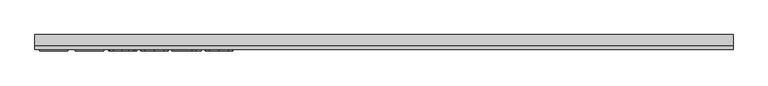
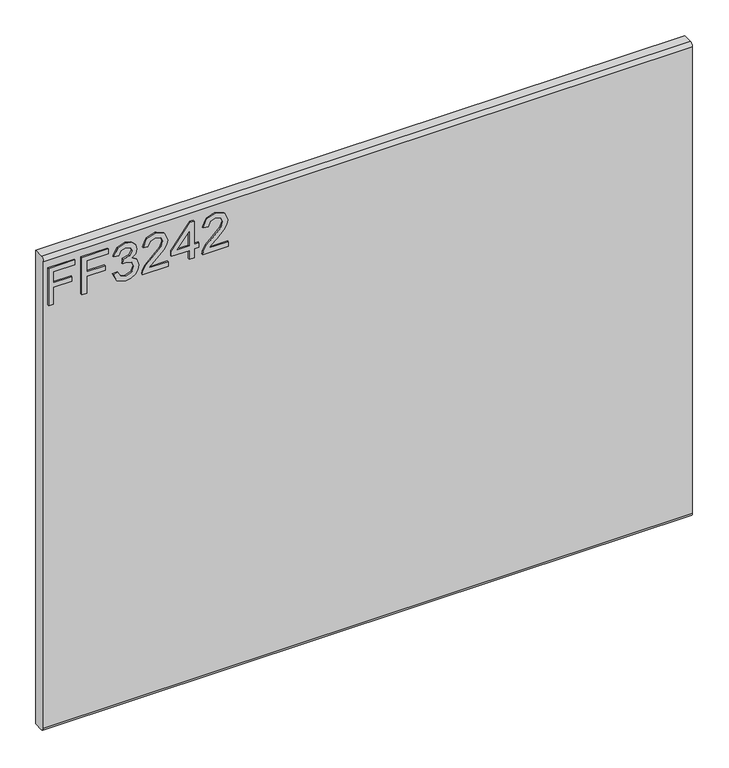
"""IFC4 building model written with IfcOpenShell, lengths in millimetres: furniture geometry."""

from ifc_helpers import new_model, si_unit, frame, origin, place, context, project, spatial, polyline, circle_curve, outline, extrude, source, transform, mapped, element, save
from ifc_brep_helpers import plane_surface, cylinder_surface, advanced_brep


def furniture_2d776beb(model_context):
    return source(origin(), model_context, "Body", "SolidModel", [
        extrude(outline(polyline([(882.65, -520.0729953), (882.65, -512.0992757), (911.5547336, -512.0992757), (911.5547336, -482.1978271), (919.5284532, -482.1978271), (919.5284532, -512.0992757), (938.4660373, -512.0992757), (938.4660373, -477.2142524), (946.4397569, -477.2142524), (946.4397569, -520.0729953), (882.65, -520.0729953)])), frame((0.0, -15.0812439, 0.0), z_axis=(0.0, 1.0, 0.0), x_axis=(0.0, 0.0, 1.0)), (0.0, 0.0, 1.0), 2.38125),
        extrude(outline(polyline([(882.65, -466.2503879), (882.65, -458.2766683), (911.5547336, -458.2766683), (911.5547336, -428.3752197), (919.5284532, -428.3752197), (919.5284532, -458.2766683), (938.4660373, -458.2766683), (938.4660373, -423.391645), (946.4397569, -423.391645), (946.4397569, -466.2503879), (882.65, -466.2503879)])), frame((0.0, -15.0812439, 0.0), z_axis=(0.0, 1.0, 0.0), x_axis=(0.0, 0.0, 1.0)), (0.0, 0.0, 1.0), 2.38125),
        extrude(outline(polyline([(899.5941542, -415.4179253), (886.6524335, -409.0794412), (881.653285, -395.0942845), (883.1172101, -386.571593), (887.5089854, -379.6607764), (894.0032063, -375.0821171), (901.7744681, -373.5558974), (912.1465331, -376.6083369), (917.597318, -385.2984454), (922.8767925, -378.7575035), (930.2275653, -376.5460422), (938.2713664, -378.874306), (944.2516562, -385.602132), (946.4397569, -395.2188739), (942.0012607, -407.8958422), (929.4956028, -414.4212104), (928.4988878, -406.4474908), (935.9742499, -402.5384993), (938.4660373, -394.9385478), (935.9976105, -387.4320383), (929.7603552, -384.5197618), (922.7210558, -388.537769), (920.5251682, -398.8631129), (912.5514486, -399.7508122), (913.4235742, -394.1598643), (910.16089, -385.0959877), (901.9146312, -381.529617), (893.162228, -385.127135), (889.6270047, -394.8139584), (892.1966604, -403.0446436), (900.5908691, -407.4442057), (899.5941542, -415.4179253)])), frame((0.0, -15.0812439, 0.0), z_axis=(0.0, 1.0, 0.0), x_axis=(0.0, 0.0, 1.0)), (0.0, 0.0, 1.0), 2.38125),
        extrude(outline(polyline([(890.6237196, -325.7135796), (890.6237196, -357.0322323), (894.6806609, -353.4347143), (902.350694, -344.261822), (913.2756243, -332.8385342), (921.0936072, -328.1274987), (928.6546245, -326.7102946), (941.3315928, -331.9664086), (946.4397569, -346.2396782), (941.845524, -360.4662268), (928.4988878, -366.5788927), (927.5021729, -358.6051731), (935.5537608, -355.2490469), (938.4660373, -346.4109886), (935.4836793, -337.9311246), (928.1718407, -334.6840142), (919.1391115, -338.1257955), (905.85477, -351.8929208), (896.6117962, -361.875644), (888.1475059, -366.7190557), (882.65, -367.5756076), (882.65, -325.7135796), (890.6237196, -325.7135796)])), frame((0.0, -15.0812439, 0.0), z_axis=(0.0, 1.0, 0.0), x_axis=(0.0, 0.0, 1.0)), (0.0, 0.0, 1.0), 2.38125),
        extrude(outline(polyline([(882.65, -291.8252713), (882.65, -283.8515516), (897.6007243, -283.8515516), (897.6007243, -275.877832), (905.5744439, -275.877832), (905.5744439, -283.8515516), (945.443042, -283.8515516), (945.443042, -289.8318414), (905.5744439, -320.7300049), (897.6007243, -320.7300049), (897.6007243, -291.8252713), (882.65, -291.8252713)]), holes=[polyline([(905.5744439, -291.8252713), (905.5744439, -310.9185921), (930.2119916, -291.8252713), (905.5744439, -291.8252713)])]), frame((0.0, -15.0812439, 0.0), z_axis=(0.0, 1.0, 0.0), x_axis=(0.0, 0.0, 1.0)), (0.0, 0.0, 1.0), 2.38125),
        extrude(outline(polyline([(890.6237196, -228.0355143), (890.6237196, -259.354167), (894.6806609, -255.7566489), (902.350694, -246.5837566), (913.2756243, -235.1604689), (921.0936072, -230.4494333), (928.6546245, -229.0322293), (941.3315928, -234.2883433), (946.4397569, -248.5616129), (941.845524, -262.7881614), (928.4988878, -268.9008274), (927.5021729, -260.9271077), (935.5537608, -257.5709816), (938.4660373, -248.7329233), (935.4836793, -240.2530593), (928.1718407, -237.0059489), (919.1391115, -240.4477302), (905.85477, -254.2148555), (896.6117962, -264.1975787), (888.1475059, -269.0409904), (882.65, -269.8975423), (882.65, -228.0355143), (890.6237196, -228.0355143)])), frame((0.0, -15.0812439, 0.0), z_axis=(0.0, 1.0, 0.0), x_axis=(0.0, 0.0, 1.0)), (0.0, 0.0, 1.0), 2.38125),
        advanced_brep(
        [(527.05, 9.5250061, 965.2), (527.05, -6.7309939, 965.2), (527.05, -12.6999939, 959.231), (527.05, -12.6999939, 158.369), (527.05, -6.7309939, 152.4), (527.05, 9.5250061, 152.4), (-527.05, 9.5250061, 965.2), (-527.05, 9.5250061, 152.4), (-527.05, -6.7309939, 152.4), (-527.05, -12.6999939, 158.369), (-527.05, -12.6999939, 959.2310121), (-527.05, -6.7309939, 965.2)],
        [
            (0, 1),
            (1, 2, circle_curve(frame((527.05, -6.7309939, 959.231), z_axis=(1.0, 0.0, 0.0), x_axis=(0.0, 1.0, 0.0)), 5.969)),
            (2, 3),
            (3, 4, circle_curve(frame((527.05, -6.7309939, 158.369), z_axis=(1.0, 0.0, 0.0), x_axis=(0.0, 1.0, 0.0)), 5.969)),
            (4, 5),
            (5, 0),
            (6, 7),
            (7, 8),
            (8, 9, circle_curve(frame((-527.05, -6.7309939, 158.369), z_axis=(-1.0, 0.0, 0.0), x_axis=(0.0, 1.0, 0.0)), 5.969)),
            (9, 10),
            (10, 11, circle_curve(frame((-527.05, -6.7309939, 959.231), z_axis=(-1.0, 0.0, 0.0), x_axis=(0.0, 1.0, 0.0)), 5.969)),
            (11, 6),
            (0, 6),
            (11, 1),
            (10, 2),
            (9, 3),
            (8, 4),
            (7, 5),
        ],
        [
            plane_surface(frame((527.05, -6.7309939, 965.2), z_axis=(1.0, 0.0, 0.0), x_axis=(0.0, -1.0, 0.0))),
            plane_surface(frame((-527.05, -6.7309939, 965.2), z_axis=(-1.0, 0.0, 0.0), x_axis=(0.0, 1.0, 0.0))),
            plane_surface(frame((527.05, 9.5250061, 965.2), z_axis=(0.0, 0.0, 1.0), x_axis=(-1.0, 0.0, 0.0))),
            cylinder_surface(frame((-527.05, -6.7309939, 959.231), z_axis=(1.0, 0.0, 0.0), x_axis=(0.0, 1.0, 0.0)), 5.969),
            plane_surface(frame((527.05, -12.6999939, 959.2310121), z_axis=(0.0, -1.0, 0.0), x_axis=(-1.0, 0.0, 0.0))),
            cylinder_surface(frame((-527.05, -6.7309939, 158.369), z_axis=(1.0, 0.0, 0.0), x_axis=(0.0, 1.0, 0.0)), 5.969),
            plane_surface(frame((527.05, -6.7309939, 152.4), z_axis=(0.0, 0.0, -1.0), x_axis=(-1.0, 0.0, 0.0))),
            plane_surface(frame((527.05, 9.5250061, 152.4), z_axis=(0.0, 1.0, 0.0), x_axis=(-1.0, 0.0, 0.0))),
        ],
        [
            (0, [[1, 2, 3, 4, 5, 6]]),
            (1, [[7, 8, 9, 10, 11, 12]]),
            (2, [[-1, 13, -12, 14]]),
            (3, [[-2, -14, -11, 15]]),
            (4, [[-3, -15, -10, 16]]),
            (5, [[-4, -16, -9, 17]]),
            (6, [[-5, -17, -8, 18]]),
            (7, [[-6, -18, -7, -13]]),
        ],
    ),
    ])


if __name__ == "__main__":
    model = new_model("IFC4")
    model_context = context("Model", 3, world=origin())
    ifc_project = project(units=[si_unit("LENGTHUNIT", "METRE", prefix="MILLI")], contexts=[model_context])
    site = spatial("IfcSite", under=ifc_project)
    building = spatial("IfcBuilding", under=site)
    placement = place(None, origin())
    furniture_shape = furniture_2d776beb(model_context)
    element("IfcFurniture", 1, at=placement, inside=building, context=model_context, shape_type="MappedRepresentation", body=[
        mapped(furniture_shape, transform((0.0, 0.0, 0.0), x_axis=(1.0, 0.0, 0.0), y_axis=(0.0, 1.0, 0.0), z_axis=(0.0, 0.0, 1.0))),
    ])
    save(model, "model.ifc")
